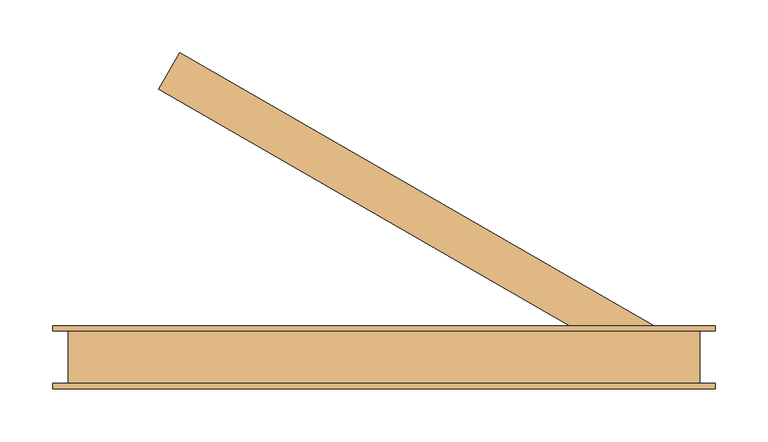
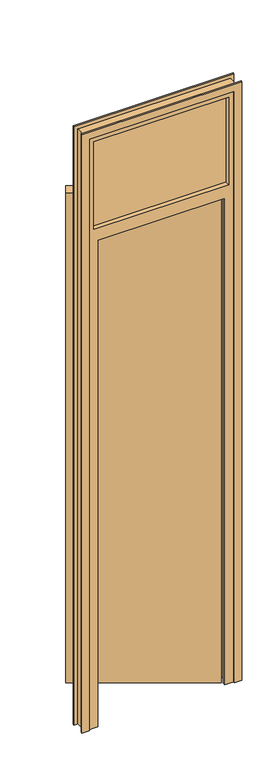
"""IFC4 building model written with IfcOpenShell, lengths in millimetres: door geometry."""

from ifc_helpers import new_model, si_unit, frame, origin, origin_with_axes, place, context, project, spatial, polyline, outline, extrude, faceted_brep, source, transform, mapped, element, save


def door_89eddae9(model_context):
    return source(origin(), model_context, "Body", "SolidModel", [
        extrude(outline(polyline([(-248.993464, 255.3589838), (-228.993464, 290.0), (230.0, 25.0), (210.0, -9.6410162), (-248.993464, 255.3589838)])), origin_with_axes(), (0.0, 0.0, 1.0), 2040.0),
        extrude(outline(polyline([(0.0, -320.0), (2460.0, -320.0), (2460.0, 250.0), (0.0, 250.0), (0.0, 280.0), (2490.0, 280.0), (2490.0, -350.0), (0.0, -350.0), (0.0, -320.0)])), frame((0.0, 25.0, 0.0), z_axis=(0.0, 1.0, 0.0), x_axis=(0.0, 0.0, 1.0)), (0.0, 0.0, 1.0), 5.0),
        extrude(outline(polyline([(0.0, -320.0), (2460.0, -320.0), (2460.0, 250.0), (0.0, 250.0), (0.0, 280.0), (2490.0, 280.0), (2490.0, -350.0), (0.0, -350.0), (0.0, -320.0)])), frame((0.0, -30.0, 0.0), z_axis=(0.0, 1.0, 0.0), x_axis=(0.0, 0.0, 1.0)), (0.0, 0.0, 1.0), 5.0),
        extrude(outline(polyline([(230.0, 6.0), (230.0, -6.0), (-300.0, -6.0), (-300.0, 6.0), (230.0, 6.0)])), frame((0.0, 0.0, 2075.0), z_axis=(0.0, 0.0, 1.0), x_axis=(1.0, 0.0, 0.0)), (0.0, 0.0, 1.0), 365.0),
        faceted_brep([(-335.0, 25.0, 0.0), (-300.0, 25.0, 0.0), (-300.0, -15.0, 0.0), (-285.0, -15.0, 0.0), (-285.0, -25.0, 0.0), (-335.0, -25.0, 0.0), (-335.0, -25.0, 2475.0), (-335.0, 25.0, 2475.0), (-285.0, -25.0, 2025.0), (215.0, -25.0, 2025.0), (215.0, -25.0, 0.0), (265.0, -25.0, 0.0), (265.0, -25.0, 2475.0), (-300.0, -25.0, 2075.0), (-300.0, -25.0, 2440.0), (230.0, -25.0, 2440.0), (230.0, -25.0, 2075.0), (-285.0, -15.0, 2025.0), (-300.0, -15.0, 2040.0), (230.0, -15.0, 2040.0), (230.0, -15.0, 0.0), (215.0, -15.0, 0.0), (215.0, -15.0, 2025.0), (-300.0, 25.0, 2040.0), (265.0, 25.0, 2475.0), (265.0, 25.0, 0.0), (230.0, 25.0, 0.0), (230.0, 25.0, 2040.0), (230.0, 25.0, 2075.0), (230.0, 25.0, 2440.0), (-300.0, 25.0, 2440.0), (-300.0, 25.0, 2075.0)], [[[0, 1, 2, 3, 4, 5]], [[5, 6, 7, 0]], [[4, 8, 9, 10, 11, 12, 6, 5], [13, 14, 15, 16]], [[3, 17, 8, 4]], [[2, 18, 19, 20, 21, 22, 17, 3]], [[1, 23, 18, 2]], [[7, 24, 25, 26, 27, 23, 1, 0], [28, 29, 30, 31]], [[11, 25, 24, 12]], [[10, 21, 20, 26, 25, 11]], [[9, 22, 21, 10]], [[19, 27, 26, 20]], [[7, 6, 12, 24]], [[28, 16, 15, 29]], [[29, 15, 14, 30]], [[30, 14, 13, 31]], [[16, 28, 31, 13]], [[8, 17, 22, 9]], [[18, 23, 27, 19]]]),
    ])


if __name__ == "__main__":
    model = new_model("IFC4")
    model_context = context("Model", 3, world=origin())
    ifc_project = project(units=[si_unit("LENGTHUNIT", "METRE", prefix="MILLI")], contexts=[model_context])
    site = spatial("IfcSite", under=ifc_project)
    building = spatial("IfcBuilding", under=site)
    placement = place(None, origin())
    door_shape = door_89eddae9(model_context)
    element("IfcDoor", 1, at=placement, inside=building, context=model_context, shape_type="MappedRepresentation", body=[
        mapped(door_shape, transform((0.0, 0.0, 0.0), x_axis=(1.0, 0.0, 0.0), y_axis=(0.0, 1.0, 0.0), z_axis=(0.0, 0.0, 1.0))),
    ])
    save(model, "model.ifc")
